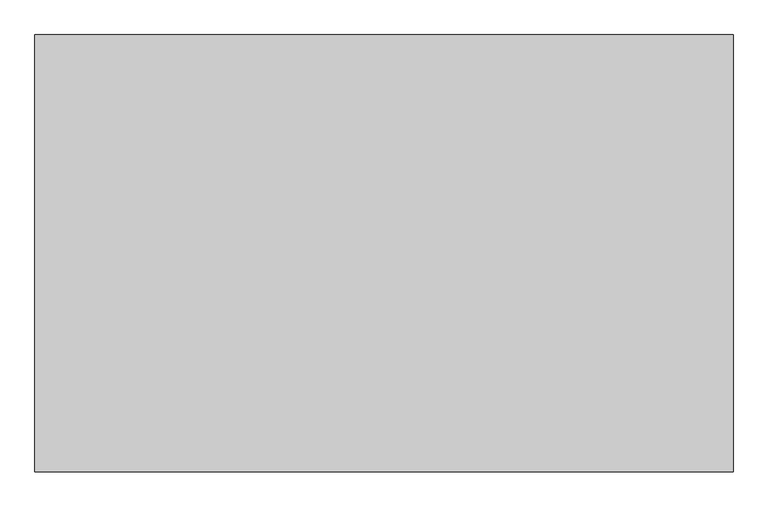
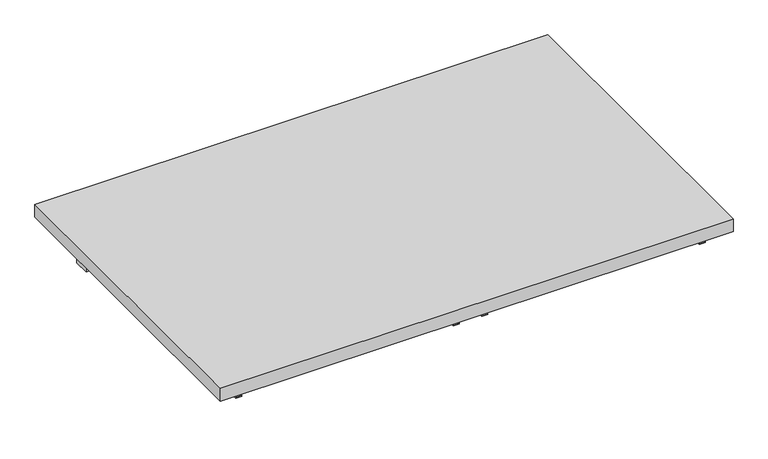
"""IFC4 building model written with IfcOpenShell, lengths in millimetres: furniture geometry."""

from ifc_helpers import new_model, si_unit, frame, origin, place, context, project, spatial, polyline, outline, extrude, source, transform, mapped, element, save


def furniture_d3380027(model_context):
    return source(origin(), model_context, "Body", "SweptSolid", [
        extrude(outline(polyline([(912.8125, 254.0), (912.8125, -508.0), (-303.2125, -508.0), (-303.2125, 254.0), (912.8125, 254.0)])), frame((0.0, 0.0, 704.85), z_axis=(0.0, 0.0, 1.0), x_axis=(1.0, 0.0, 0.0)), (0.0, 0.0, 1.0), 31.75),
        extrude(outline(polyline([(879.475, 139.7), (879.475, 101.6), (-269.875, 101.6), (-269.875, 139.7), (879.475, 139.7)])), frame((0.0, 0.0, 647.7), z_axis=(0.0, 0.0, 1.0), x_axis=(1.0, 0.0, 0.0)), (0.0, 0.0, 1.0), 57.15),
        extrude(outline(polyline([(681.0375, 333.375), (704.85, 333.375), (704.85, 331.7875), (679.45, 331.7875), (679.45, 346.075), (681.0375, 346.075), (681.0375, 333.375)])), frame((0.0, -482.6, 0.0), z_axis=(0.0, 1.0, 0.0), x_axis=(0.0, 0.0, 1.0)), (0.0, 0.0, 1.0), 390.525),
        extrude(outline(polyline([(681.0375, 276.225), (681.0375, 263.525), (679.45, 263.525), (679.45, 277.8125), (704.85, 277.8125), (704.85, 276.225), (681.0375, 276.225)])), frame((0.0, -482.6, 0.0), z_axis=(0.0, 1.0, 0.0), x_axis=(0.0, 0.0, 1.0)), (0.0, 0.0, 1.0), 390.525),
        extrude(outline(polyline([(681.0375, -250.825), (704.85, -250.825), (704.85, -252.4125), (679.45, -252.4125), (679.45, -238.125), (681.0375, -238.125), (681.0375, -250.825)])), frame((0.0, -482.6, 0.0), z_axis=(0.0, 1.0, 0.0), x_axis=(0.0, 0.0, 1.0)), (0.0, 0.0, 1.0), 390.525),
        extrude(outline(polyline([(681.0375, 860.425), (681.0375, 847.725), (679.45, 847.725), (679.45, 862.0125), (704.85, 862.0125), (704.85, 860.425), (681.0375, 860.425)])), frame((0.0, -482.6, 0.0), z_axis=(0.0, 1.0, 0.0), x_axis=(0.0, 0.0, 1.0)), (0.0, 0.0, 1.0), 390.525),
    ])


if __name__ == "__main__":
    model = new_model("IFC4")
    model_context = context("Model", 3, world=origin())
    ifc_project = project(units=[si_unit("LENGTHUNIT", "METRE", prefix="MILLI")], contexts=[model_context])
    site = spatial("IfcSite", under=ifc_project)
    building = spatial("IfcBuilding", under=site)
    placement = place(None, origin())
    furniture_shape = furniture_d3380027(model_context)
    element("IfcFurniture", 1, at=placement, inside=building, context=model_context, shape_type="MappedRepresentation", body=[
        mapped(furniture_shape, transform((0.0, 0.0, 0.0), x_axis=(1.0, 0.0, 0.0), y_axis=(0.0, 1.0, 0.0), z_axis=(0.0, 0.0, 1.0))),
    ])
    save(model, "model.ifc")
